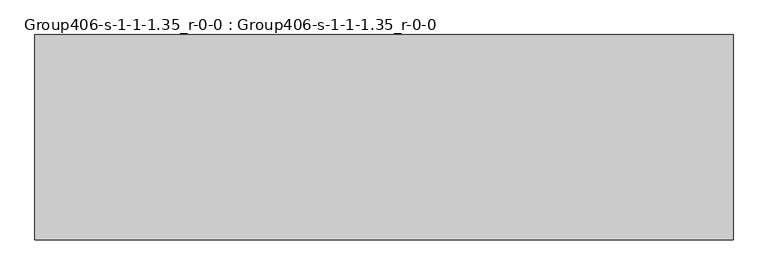
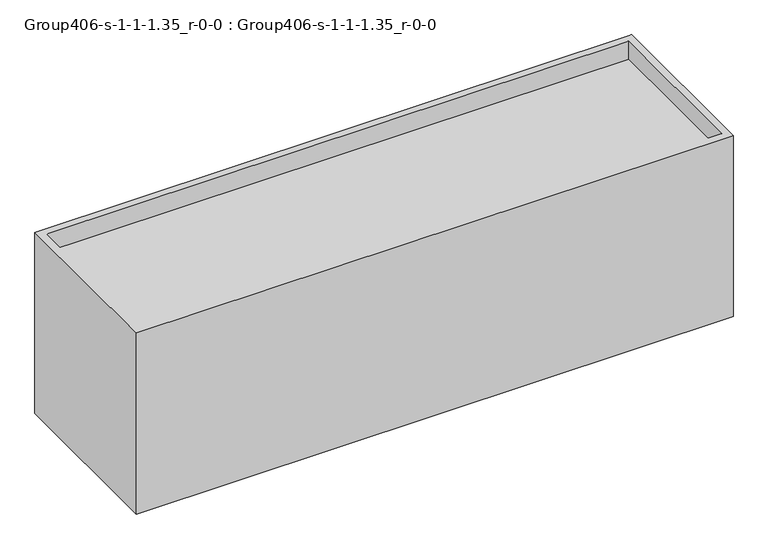
"""IFC4 building model written with IfcOpenShell, lengths in millimetres: geographic element geometry, Group406-s-1-1-1.35_r-0-0 : Group406-s-1-1-1.35_r-0-0."""

import ifcopenshell
import ifcopenshell.guid

model = None  # the IFC model being written
_history = None  # IfcOwnerHistory: only IFC2X3 demands one
_inside = {}  # id of a spatial element -> (the spatial element, [elements in it])
_under = {}  # id of a project, library or spatial element -> (it, [spatial elements below it])
_declared = {}  # id of a project -> (the project, [libraries it declares])
_typed = {}  # id of a type object -> (the type object, [elements of that type])
_made_of = {}  # id of a material, layer set ... -> (it, [elements and type objects made of it])


def new_model(schema):
    """Start an empty IFC model of exactly this schema.

    Asked for "IFC4X3", IfcOpenShell would pick the latest addendum, in which some entities
    have other attributes; the version numbers below select the first issue.
    IFC2X3 requires an IfcOwnerHistory on every rooted entity: one is made here for all.
    """
    global model, _history
    if schema == "IFC4X3":
        model = ifcopenshell.file(schema_version=(4, 3, 0, 0))
    else:
        model = ifcopenshell.file(schema=schema)
    _inside.clear()
    _under.clear()
    _declared.clear()
    _typed.clear()
    _made_of.clear()
    _history = None
    if model.schema == "IFC2X3":
        org = make("IfcOrganization", Name="unknown")
        user = make(
            "IfcPersonAndOrganization",
            ThePerson=make("IfcPerson", FamilyName="unknown"),
            TheOrganization=org,
        )
        app = make(
            "IfcApplication",
            ApplicationDeveloper=org,
            Version="unknown",
            ApplicationFullName="unknown",
            ApplicationIdentifier="unknown",
        )
        _history = make(
            "IfcOwnerHistory",
            OwningUser=user,
            OwningApplication=app,
            ChangeAction="ADDED",
            CreationDate=0,
        )
    return model


def make(cls, **values):
    """One entity of the class cls with the attributes given. An attribute that is None is left unset."""
    return model.create_entity(
        cls, **{name: value for name, value in values.items() if value is not None}
    )


def rooted(cls, **values):
    """An entity with a GlobalId (a new one), such as an element, a storey or a relation."""
    return make(cls, GlobalId=ifcopenshell.guid.new(), OwnerHistory=_history, **values)


def si_unit(unit_type, name, prefix=None):
    """IfcSIUnit, for example si_unit("LENGTHUNIT", "METRE", prefix="MILLI")."""
    return make("IfcSIUnit", UnitType=unit_type, Prefix=prefix, Name=name)


def assignment(units):
    """IfcUnitAssignment: the units of a project."""
    return None if units is None else make("IfcUnitAssignment", Units=units)


def point(xyz):
    """IfcCartesianPoint."""
    return None if xyz is None else make("IfcCartesianPoint", Coordinates=xyz)


def direction(xyz):
    """IfcDirection."""
    return None if xyz is None else make("IfcDirection", DirectionRatios=xyz)


def frame(location, z_axis=None, x_axis=None):
    """IfcAxis2Placement3D, a coordinate frame: its origin and axes. An axis left out is left unset."""
    return make(
        "IfcAxis2Placement3D",
        Location=point(location),
        Axis=direction(z_axis),
        RefDirection=direction(x_axis),
    )


def origin():
    """The frame at (0, 0, 0) with its axes left unset."""
    return frame((0.0, 0.0, 0.0))


def place(relative_to, where):
    """IfcLocalPlacement: puts the frame where relative to a parent placement (None: the world)."""
    return make(
        "IfcLocalPlacement", PlacementRelTo=relative_to, RelativePlacement=where
    )


def context(
    kind, dimensions, precision=None, world=None, true_north=None, identifier=None
):
    """IfcGeometricRepresentationContext, for example the 3D "Model" context."""
    return make(
        "IfcGeometricRepresentationContext",
        ContextIdentifier=identifier,
        ContextType=kind,
        CoordinateSpaceDimension=dimensions,
        Precision=precision,
        WorldCoordinateSystem=world,
        TrueNorth=true_north,
    )


def project(units=None, contexts=None):
    """IfcProject with its units and contexts."""
    return rooted(
        "IfcProject",
        Name="project",
        RepresentationContexts=contexts,
        UnitsInContext=assignment(units),
    )


def spatial(cls, under=None, at=None, **own):
    """A site, building, storey or space (cls), placed at a placement, below another one or the project."""
    s = rooted(cls, ObjectPlacement=at, **own)
    if under is not None:
        _under.setdefault(under.id(), (under, []))[1].append(s)
    return s


def point_list(points):
    """IfcCartesianPointList2D or 3D."""
    cls = (
        "IfcCartesianPointList2D" if len(points[0]) == 2 else "IfcCartesianPointList3D"
    )
    return make(cls, CoordList=points)


def triangles(points, corners, closed=None, point_numbers=None):
    """IfcTriangulatedFaceSet: each triangle names its three corners, points numbered from 1."""
    return make(
        "IfcTriangulatedFaceSet",
        Coordinates=point_list(points),
        Closed=closed,
        CoordIndex=corners,
        PnIndex=point_numbers,
    )


def shape(context_of_items, identifier, shape_type, items):
    """IfcShapeRepresentation: the items that make up one representation, for example the "Body"."""
    return make(
        "IfcShapeRepresentation",
        ContextOfItems=context_of_items,
        RepresentationIdentifier=identifier,
        RepresentationType=shape_type,
        Items=items,
    )


def source(mapping_origin, context_of_items, identifier, shape_type, items):
    """IfcRepresentationMap: a shape defined once, which mapped items show again and again."""
    return make(
        "IfcRepresentationMap",
        MappingOrigin=mapping_origin,
        MappedRepresentation=shape(context_of_items, identifier, shape_type, items),
    )


def transform(
    local_origin,
    x_axis=None,
    y_axis=None,
    z_axis=None,
    scale=None,
    scale2=None,
    scale3=None,
    uniform=True,
):
    """IfcCartesianTransformationOperator3D, or its non-uniform kind. x_axis, y_axis, z_axis: its Axis1, 2, 3."""
    if uniform:
        return make(
            "IfcCartesianTransformationOperator3D",
            Axis1=direction(x_axis),
            Axis2=direction(y_axis),
            LocalOrigin=point(local_origin),
            Scale=scale,
            Axis3=direction(z_axis),
        )
    return make(
        "IfcCartesianTransformationOperator3DnonUniform",
        Axis1=direction(x_axis),
        Axis2=direction(y_axis),
        LocalOrigin=point(local_origin),
        Scale=scale,
        Axis3=direction(z_axis),
        Scale2=scale2,
        Scale3=scale3,
    )


def mapped(mapping_source, mapping_target):
    """IfcMappedItem: shows the shape of a source again, moved by a transform."""
    return make(
        "IfcMappedItem", MappingSource=mapping_source, MappingTarget=mapping_target
    )


def made_of(thing, what):
    """Note that an element or type object is made of a material, layer set ...; save() writes the relation."""
    if what is not None:
        _made_of.setdefault(what.id(), (what, []))[1].append(thing)
    return thing


def element(
    cls,
    number,
    at=None,
    inside=None,
    cuts=None,
    type_object=None,
    material=None,
    context=None,
    identifier="Body",
    shape_type=None,
    held_by="IfcProductDefinitionShape",
    body=None,
    shapes=None,
    **own,
):
    """One element of the class cls, such as IfcWall. Its Tag is "e" and its number.

    at: its placement. inside: the storey or other place that contains it. cuts: it is an
    opening in that element (IfcRelVoidsElement). A single representation is given by context,
    identifier, shape_type and body (its items); several are given by shapes. held_by: the class
    of the entity that holds the representations. save() writes the other relations.
    """
    e = rooted(cls, Tag="e%d" % number, ObjectPlacement=at, **own)
    if body is not None:
        shapes = [shape(context, identifier, shape_type, body)]
    if shapes is not None:
        e.Representation = make(held_by, Representations=shapes)
    if inside is not None:
        _inside.setdefault(inside.id(), (inside, []))[1].append(e)
    if cuts is not None:
        rooted(
            "IfcRelVoidsElement", RelatingBuildingElement=cuts, RelatedOpeningElement=e
        )
    if type_object is not None:
        _typed.setdefault(type_object.id(), (type_object, []))[1].append(e)
    return made_of(e, material)


def aggregate(whole, parts):
    """IfcRelAggregates: a whole, such as a stair, and the parts it consists of."""
    return rooted("IfcRelAggregates", RelatingObject=whole, RelatedObjects=parts)


def save(model, path):
    """Write the relations noted so far, then the file.

    IfcRelAggregates (storeys below a building ...), IfcRelContainedInSpatialStructure (elements
    in a storey), IfcRelDefinesByType, IfcRelAssociatesMaterial and IfcRelDeclares: one each for
    every whole, place, type object, material and project.
    """
    for whole, parts in _under.values():
        aggregate(whole, parts)
    for where, things in _inside.values():
        rooted(
            "IfcRelContainedInSpatialStructure",
            RelatedElements=things,
            RelatingStructure=where,
        )
    for kind, things in _typed.values():
        rooted("IfcRelDefinesByType", RelatedObjects=things, RelatingType=kind)
    for what, things in _made_of.values():
        rooted("IfcRelAssociatesMaterial", RelatedObjects=things, RelatingMaterial=what)
    for by, libraries in _declared.values():
        rooted("IfcRelDeclares", RelatingContext=by, RelatedDefinitions=libraries)
    model.write(path)


def group406_s_1_1_1_35_r_0_0_group406_s_1_1_1_35_r_0_0_ac308ca8(model_context):
    return source(origin(), model_context, "Body", "Tessellation", [
        triangles([(16976.7253876, 7585.0748062, 0.0), (-8792.4749451, 0.0, 0.0), (-8792.4749451, 7585.0748062, 0.0), (16976.7253876, 0.0, 0.0), (16671.9253876, 7280.2748062, 8277.0407089), (16671.9253876, 304.8, 7454.0804764), (16671.9253876, 304.8, 8277.0407089), (16671.9253876, 7280.2748062, 7454.0804764), (-8487.6749451, 7280.2748062, 7454.0804764), (-8487.6749451, 304.8, 8277.0407089), (-8487.6749451, 304.8, 7454.0804764), (-8487.6749451, 7280.2748062, 8277.0407089), (-8792.4749451, 0.0, 8277.0407089), (-8792.4749451, 7585.0748062, 8277.0407089), (16976.7253876, 0.0, 8277.0407089), (16976.7253876, 7585.0748062, 8277.0407089)], [[1, 2, 3], [2, 1, 4], [5, 6, 7], [6, 5, 8], [9, 10, 11], [10, 9, 12], [13, 10, 14], [10, 13, 15], [10, 15, 7], [7, 15, 5], [14, 12, 16], [12, 14, 10], [16, 12, 5], [16, 5, 15], [4, 13, 2], [13, 4, 15], [14, 2, 13], [2, 14, 3], [10, 6, 11], [6, 10, 7], [14, 1, 3], [1, 14, 16], [5, 9, 8], [9, 5, 12], [6, 9, 11], [9, 6, 8], [4, 16, 15], [16, 4, 1]]),
    ])


if __name__ == "__main__":
    model = new_model("IFC4")
    model_context = context("Model", 3, world=origin())
    ifc_project = project(units=[si_unit("LENGTHUNIT", "METRE", prefix="MILLI")], contexts=[model_context])
    site = spatial("IfcSite", under=ifc_project)
    building = spatial("IfcBuilding", under=site)
    placement = place(None, origin())
    group406_s_1_1_1_35_r_0_0_group406_s_1_1_1_35_r_0_0_shape = group406_s_1_1_1_35_r_0_0_group406_s_1_1_1_35_r_0_0_ac308ca8(model_context)
    element("IfcGeographicElement", 1, ObjectType="Group406-s-1-1-1.35_r-0-0 : Group406-s-1-1-1.35_r-0-0", at=placement, inside=building, context=model_context, shape_type="MappedRepresentation", body=[
        mapped(group406_s_1_1_1_35_r_0_0_group406_s_1_1_1_35_r_0_0_shape, transform((0.0, 0.0, 0.0), x_axis=(1.0, 0.0, 0.0), y_axis=(0.0, 1.0, 0.0), z_axis=(0.0, 0.0, 1.0))),
    ])
    save(model, "model.ifc")
